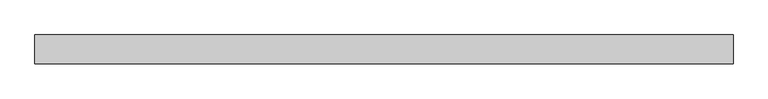
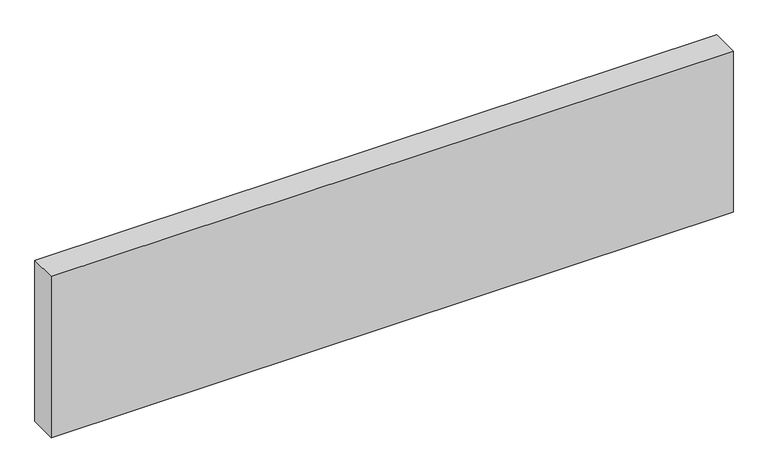
"""IFC4 building model written with IfcOpenShell, lengths in millimetres: proxy geometry."""

from ifc_helpers import new_model, si_unit, origin, origin_with_axes, place, context, project, spatial, polyline, outline, extrude, source, transform, mapped, element, save


def specialty_equipment_6b17addf(model_context):
    return source(origin(), model_context, "Body", "SweptSolid", [
        extrude(outline(polyline([(600.0, 25.0), (600.0, -25.0), (-600.0, -25.0), (-600.0, 25.0), (600.0, 25.0)])), origin_with_axes(), (0.0, 0.0, 1.0), 300.0),
    ])


if __name__ == "__main__":
    model = new_model("IFC4")
    model_context = context("Model", 3, world=origin())
    ifc_project = project(units=[si_unit("LENGTHUNIT", "METRE", prefix="MILLI")], contexts=[model_context])
    site = spatial("IfcSite", under=ifc_project)
    building = spatial("IfcBuilding", under=site)
    placement = place(None, origin())
    specialty_equipment_shape = specialty_equipment_6b17addf(model_context)
    element("IfcBuildingElementProxy", 1, Name="Specialty Equipment", at=placement, inside=building, context=model_context, shape_type="MappedRepresentation", body=[
        mapped(specialty_equipment_shape, transform((0.0, 0.0, 0.0), x_axis=(1.0, 0.0, 0.0), y_axis=(0.0, 1.0, 0.0), z_axis=(0.0, 0.0, 1.0))),
    ])
    save(model, "model.ifc")
